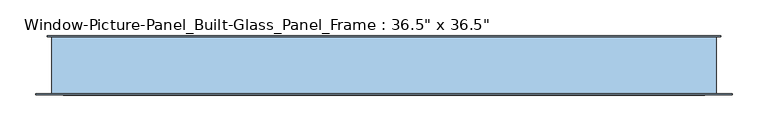
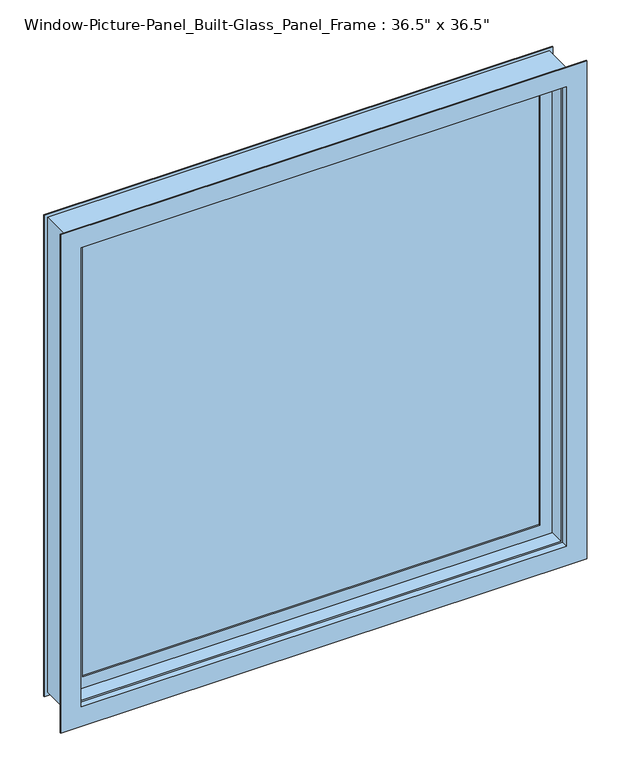
"""IFC4 building model written with IfcOpenShell, lengths in millimetres: window geometry."""

from ifc_helpers import new_model, si_unit, frame, origin, place, context, project, spatial, polyline, outline, extrude, faceted_brep, source, transform, mapped, element, save


def window_157af7d1(model_context):
    return source(origin(), model_context, "Body", "SolidModel", [
        faceted_brep([(-469.9, 39.6875, 1847.85), (-469.9, 41.2623117, 1847.85), (-469.9, 41.2623117, 908.05), (-469.9, 39.6875, 908.05), (-463.55, -39.6875, 1841.5), (-463.55, 39.6875, 1841.5), (-463.55, 39.6875, 914.4), (-463.55, -39.6875, 914.4), (-486.0378905, -41.2420829, 1863.9878905), (-486.0378905, -39.6875, 1863.9878905), (-486.0378905, -39.6875, 891.9121095), (-486.0378905, -41.2420829, 891.9121095), (-447.9378905, -29.4516277, 1825.8878905), (-447.9378905, -41.2420829, 1825.8878905), (-447.9378905, -41.2420829, 930.0121095), (-447.9378905, -29.4516277, 930.0121095), (-444.5126533, 41.2623117, 1822.4626533), (-444.5126533, 39.6875, 1822.4626533), (-444.5126533, 39.6875, 933.4373467), (-444.5126533, 41.2623117, 933.4373467), (469.9, 41.2623117, 908.05), (469.9, 39.6875, 908.05), (463.55, 39.6875, 914.4), (463.55, -39.6875, 914.4), (486.0378905, -39.6875, 891.9121095), (486.0378905, -41.2420829, 891.9121095), (447.9378905, -41.2420829, 930.0121095), (447.9378905, -29.4516277, 930.0121095), (444.5126533, 39.6875, 933.4373467), (444.5126533, 41.2623117, 933.4373467), (469.9, 41.2623117, 1847.85), (469.9, 39.6875, 1847.85), (463.55, 39.6875, 1841.5), (463.55, -39.6875, 1841.5), (486.0378905, -39.6875, 1863.9878905), (486.0378905, -41.2420829, 1863.9878905), (447.9378905, -41.2420829, 1825.8878905), (447.9378905, -29.4516277, 1825.8878905), (444.5126533, 39.6875, 1822.4626533), (444.5126533, 41.2623117, 1822.4626533), (-444.5126533, -29.4516277, 1822.4626533), (444.5126533, -29.4516277, 1822.4626533), (444.5126533, -29.4516277, 933.4373467), (-444.5126533, -29.4516277, 933.4373467), (-444.5126533, -1.8224621, 1822.4626533), (-444.5126533, -1.8224621, 933.4373467), (-422.287431, 0.9395354, 1800.237431), (-422.287431, -1.8224621, 1800.237431), (-422.287431, -1.8224621, 955.662569), (-422.287431, 0.9395354, 955.662569), (-444.5126533, 28.5620354, 1822.4626533), (-444.5126533, 0.9395354, 1822.4626533), (-444.5126533, 0.9395354, 933.4373467), (-444.5126533, 28.5620354, 933.4373467), (-422.287431, 39.6875, 1800.237431), (-422.287431, 28.5620354, 1800.237431), (-422.287431, 28.5620354, 955.662569), (-422.287431, 39.6875, 955.662569), (444.5126533, -1.8224621, 933.4373467), (422.287431, -1.8224621, 955.662569), (422.287431, 0.9395354, 955.662569), (444.5126533, 0.9395354, 933.4373467), (444.5126533, 28.5620354, 933.4373467), (422.287431, 28.5620354, 955.662569), (422.287431, 39.6875, 955.662569), (444.5126533, -1.8224621, 1822.4626533), (422.287431, -1.8224621, 1800.237431), (422.287431, 0.9395354, 1800.237431), (444.5126533, 0.9395354, 1822.4626533), (444.5126533, 28.5620354, 1822.4626533), (422.287431, 28.5620354, 1800.237431), (422.287431, 39.6875, 1800.237431)], [[[0, 1, 2, 3]], [[4, 5, 6, 7]], [[8, 9, 10, 11]], [[12, 13, 14, 15]], [[16, 17, 18, 19]], [[3, 2, 20, 21]], [[7, 6, 22, 23]], [[11, 10, 24, 25]], [[15, 14, 26, 27]], [[19, 18, 28, 29]], [[21, 20, 30, 31]], [[23, 22, 32, 33]], [[25, 24, 34, 35]], [[27, 26, 36, 37]], [[29, 28, 38, 39]], [[1, 30, 20, 2], [19, 29, 39, 16]], [[31, 30, 1, 0]], [[3, 21, 31, 0], [5, 32, 22, 6]], [[33, 32, 5, 4]], [[9, 34, 24, 10], [7, 23, 33, 4]], [[35, 34, 9, 8]], [[11, 25, 35, 8], [13, 36, 26, 14]], [[37, 36, 13, 12]], [[15, 27, 37, 12], [40, 41, 42, 43]], [[39, 38, 17, 16]], [[44, 40, 43, 45]], [[46, 47, 48, 49]], [[50, 51, 52, 53]], [[54, 55, 56, 57]], [[45, 43, 42, 58]], [[49, 48, 59, 60]], [[53, 52, 61, 62]], [[57, 56, 63, 64]], [[58, 42, 41, 65]], [[60, 59, 66, 67]], [[62, 61, 68, 69]], [[64, 63, 70, 71]], [[65, 41, 40, 44]], [[45, 58, 65, 44], [47, 66, 59, 48]], [[67, 66, 47, 46]], [[51, 68, 61, 52], [49, 60, 67, 46]], [[69, 68, 51, 50]], [[53, 62, 69, 50], [55, 70, 63, 56]], [[71, 70, 55, 54]], [[17, 38, 28, 18], [57, 64, 71, 54]]]),
        extrude(outline(polyline([(-444.5126533, 0.9395354), (-444.5126533, 28.5620354), (444.5126533, 28.5620354), (444.5126533, 0.9395354), (-444.5126533, 0.9395354)])), frame((0.0, 0.0, 933.4373467), z_axis=(0.0, 0.0, 1.0), x_axis=(1.0, 0.0, 0.0)), (0.0, 0.0, 1.0), 889.0253065),
    ])


if __name__ == "__main__":
    model = new_model("IFC4")
    model_context = context("Model", 3, world=origin())
    ifc_project = project(units=[si_unit("LENGTHUNIT", "METRE", prefix="MILLI")], contexts=[model_context])
    site = spatial("IfcSite", under=ifc_project)
    building = spatial("IfcBuilding", under=site)
    placement = place(None, origin())
    window_shape = window_157af7d1(model_context)
    element("IfcWindow", 1, ObjectType="Window-Picture-Panel_Built-Glass_Panel_Frame : 36.5\" x 36.5\"", at=placement, inside=building, context=model_context, shape_type="MappedRepresentation", body=[
        mapped(window_shape, transform((0.0, 0.0, 0.0), x_axis=(1.0, 0.0, 0.0), y_axis=(0.0, 1.0, 0.0), z_axis=(0.0, 0.0, 1.0))),
    ])
    save(model, "model.ifc")
